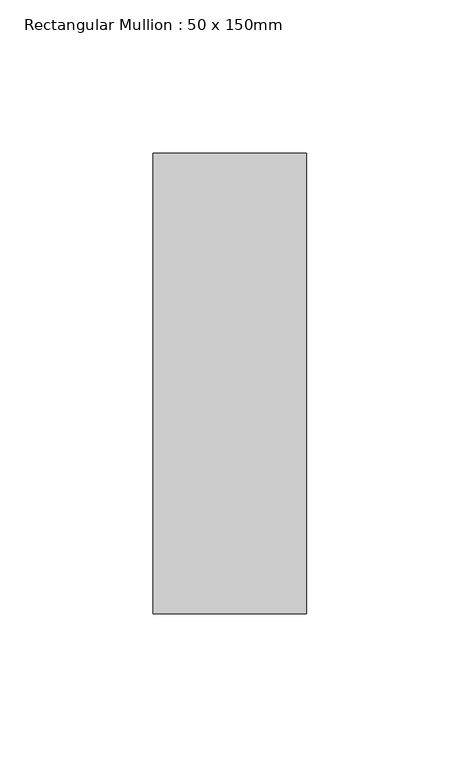
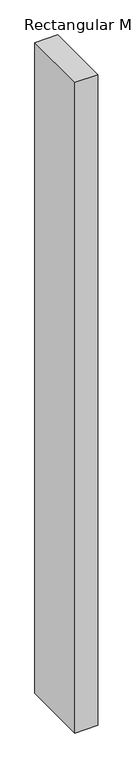
"""IFC4 building model written with IfcOpenShell, lengths in millimetres: member geometry, Rectangular Mullion : 50 x 150mm."""

from ifc_helpers import new_model, si_unit, frame, origin, place, context, project, spatial, polyline, outline, extrude, source, transform, mapped, element, save


def rectangular_mullion_50_x_150mm_e964b2f4(model_context):
    return source(origin(), model_context, "Body", "SweptSolid", [
        extrude(outline(polyline([(25.0, 75.0), (25.0, -75.0), (-25.0, -75.0), (-25.0, 75.0), (25.0, 75.0)])), frame((0.0, 0.0, -1490.2835198), z_axis=(0.0, 0.0, 1.0), x_axis=(1.0, 0.0, 0.0)), (0.0, 0.0, 1.0), 1490.2835198),
    ])


if __name__ == "__main__":
    model = new_model("IFC4")
    model_context = context("Model", 3, world=origin())
    ifc_project = project(units=[si_unit("LENGTHUNIT", "METRE", prefix="MILLI")], contexts=[model_context])
    site = spatial("IfcSite", under=ifc_project)
    building = spatial("IfcBuilding", under=site)
    placement = place(None, origin())
    rectangular_mullion_50_x_150mm_shape = rectangular_mullion_50_x_150mm_e964b2f4(model_context)
    element("IfcMember", 1, ObjectType="Rectangular Mullion : 50 x 150mm", at=placement, inside=building, context=model_context, shape_type="MappedRepresentation", body=[
        mapped(rectangular_mullion_50_x_150mm_shape, transform((0.0, 0.0, 0.0), x_axis=(1.0, 0.0, 0.0), y_axis=(0.0, 1.0, 0.0), z_axis=(0.0, 0.0, 1.0))),
    ])
    save(model, "model.ifc")
